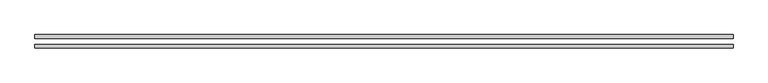
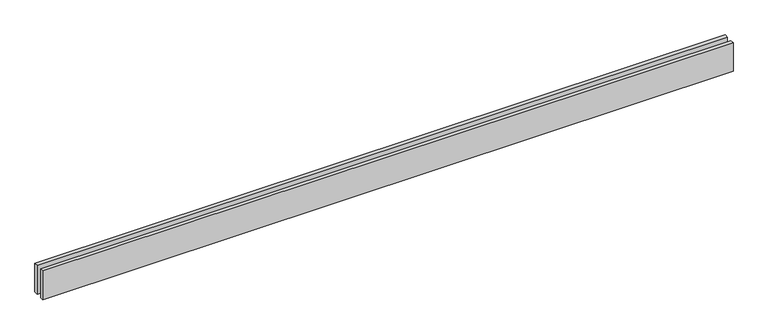
"""IFC4 building model written with IfcOpenShell, lengths in millimetres: proxy geometry."""

from ifc_helpers import new_model, si_unit, origin, origin_with_axes, place, context, project, spatial, polyline, outline, extrude, source, transform, mapped, element, save


def generic_models_faeaa293(model_context):
    return source(origin(), model_context, "Body", "SweptSolid", [
        extrude(outline(polyline([(5656.8542495, -25.0), (5656.8542495, -55.0), (0.0, -55.0), (0.0, -25.0), (5656.8542495, -25.0)])), origin_with_axes(), (0.0, 0.0, 1.0), 250.0),
        extrude(outline(polyline([(5656.8542495, 55.0), (5656.8542495, 25.0), (0.0, 25.0), (0.0, 55.0), (5656.8542495, 55.0)])), origin_with_axes(), (0.0, 0.0, 1.0), 250.0),
    ])


if __name__ == "__main__":
    model = new_model("IFC4")
    model_context = context("Model", 3, world=origin())
    ifc_project = project(units=[si_unit("LENGTHUNIT", "METRE", prefix="MILLI")], contexts=[model_context])
    site = spatial("IfcSite", under=ifc_project)
    building = spatial("IfcBuilding", under=site)
    placement = place(None, origin())
    generic_models_shape = generic_models_faeaa293(model_context)
    element("IfcBuildingElementProxy", 1, Name="Generic Models", at=placement, inside=building, context=model_context, shape_type="MappedRepresentation", body=[
        mapped(generic_models_shape, transform((0.0, 0.0, 0.0), x_axis=(1.0, 0.0, 0.0), y_axis=(0.0, 1.0, 0.0), z_axis=(0.0, 0.0, 1.0))),
    ])
    save(model, "model.ifc")
